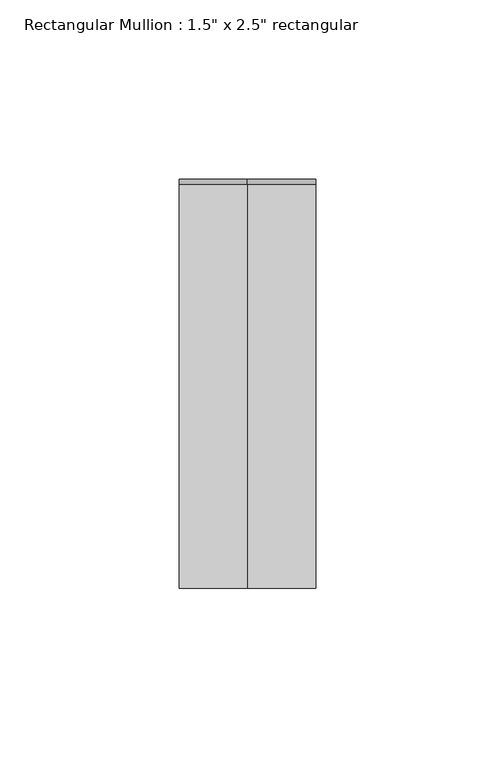
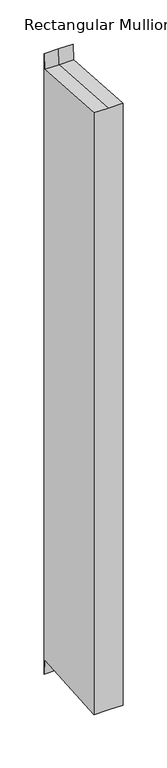
"""IFC4 building model written with IfcOpenShell, lengths in millimetres: member geometry."""

from ifc_helpers import new_model, si_unit, origin, place, context, project, spatial, faceted_brep, source, transform, mapped, element, save


def member_1f3c8395(model_context):
    return source(origin(), model_context, "Body", "Brep", [
        faceted_brep([(-19.05, 57.15, 16.9861539), (0.0, 57.15, 16.9861539), (19.05, 57.15, 16.9861539), (19.05, 57.15, -843.6564595), (0.0, 57.15, -843.6564595), (-19.05, 57.15, -843.6564595), (-19.05, -57.15, 4.0833298), (-19.05, 55.6270263, -4.0726933), (-19.05, 55.6270263, -822.5976123), (-19.05, -57.15, -830.7536354), (19.05, -57.15, 4.0833298), (0.0, -57.15, 4.0833298), (0.0, -57.15, -830.7536354), (19.05, -57.15, -830.7536354), (19.05, 55.6270263, -4.0726933), (19.05, 55.6270263, -822.5976123), (0.0, 55.6270263, -4.0726933), (0.0, 55.6270263, -822.5976123)], [[[0, 1, 2, 3, 4, 5]], [[6, 7, 0, 5, 8, 9]], [[10, 11, 6, 9, 12, 13]], [[2, 14, 10, 13, 15, 3]], [[2, 1, 16, 14]], [[1, 0, 7, 16]], [[7, 6, 11, 16]], [[11, 10, 14, 16]], [[3, 15, 17, 4]], [[15, 13, 12, 17]], [[12, 9, 8, 17]], [[8, 5, 4, 17]]]),
    ])


if __name__ == "__main__":
    model = new_model("IFC4")
    model_context = context("Model", 3, world=origin())
    ifc_project = project(units=[si_unit("LENGTHUNIT", "METRE", prefix="MILLI")], contexts=[model_context])
    site = spatial("IfcSite", under=ifc_project)
    building = spatial("IfcBuilding", under=site)
    placement = place(None, origin())
    member_shape = member_1f3c8395(model_context)
    element("IfcMember", 1, ObjectType="Rectangular Mullion : 1.5\" x 2.5\" rectangular", at=placement, inside=building, context=model_context, shape_type="MappedRepresentation", body=[
        mapped(member_shape, transform((0.0, 0.0, 0.0), x_axis=(1.0, 0.0, 0.0), y_axis=(0.0, 1.0, 0.0), z_axis=(0.0, 0.0, 1.0))),
    ])
    save(model, "model.ifc")
